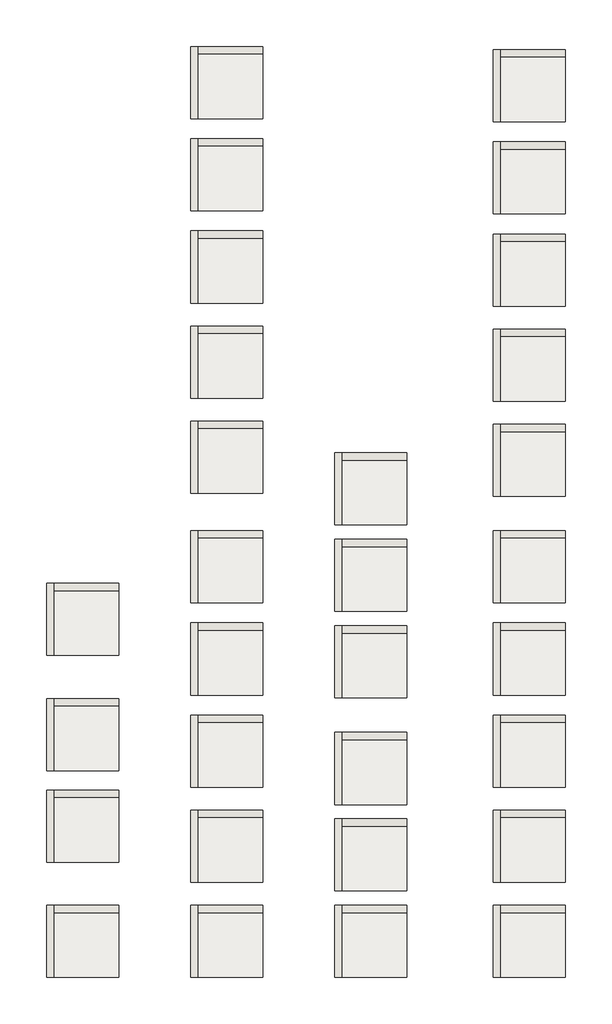
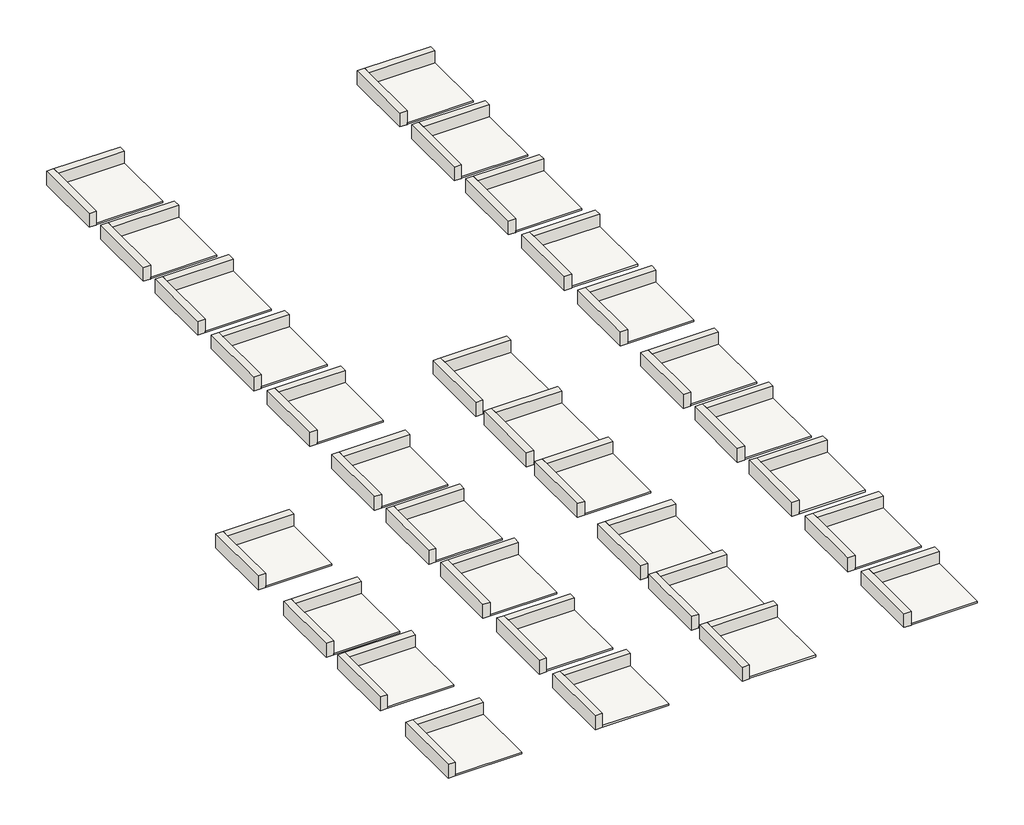
# One storey: 60 walls, 30 slabs.
"""IFC4 building model written with IfcOpenShell, lengths in millimetres."""

from ifc_helpers import new_model, si_unit, frame, origin, place, context, project, spatial, polyline, outline, extrude, faceted_brep, element, save

model = new_model("IFC4")

# Units and contexts
model_context = context("Model", 3, world=origin())
ifc_project = project(units=[si_unit("LENGTHUNIT", "METRE", prefix="MILLI")], contexts=[model_context])

# Site, building, storey
site = spatial("IfcSite", under=ifc_project)
building = spatial("IfcBuilding", under=site)
storey = spatial("IfcBuildingStorey", under=building, Elevation=0.0)

# Slabs
placement = place(None, origin())
element("IfcSlab", 1, at=placement, inside=storey, context=model_context, shape_type="SweptSolid", body=[
    extrude(outline(polyline([(3351.7773036, 9735.2847047), (3351.7773036, 7485.2847047), (1101.7773036, 7485.2847047), (1101.7773036, 9735.2847047), (3351.7773036, 9735.2847047)])), frame((0.0, 0.0, -58.0), z_axis=(0.0, 0.0, 1.0), x_axis=(1.0, 0.0, 0.0)), (0.0, 0.0, 1.0), 58.0),
])
element("IfcSlab", 2, at=placement, inside=storey, context=model_context, shape_type="SweptSolid", body=[
    extrude(outline(polyline([(13351.7773036, 9735.2847047), (13351.7773036, 7485.2847047), (11101.7773036, 7485.2847047), (11101.7773036, 9735.2847047), (13351.7773036, 9735.2847047)])), frame((0.0, 0.0, -60.0), z_axis=(0.0, 0.0, 1.0), x_axis=(1.0, 0.0, 0.0)), (0.0, 0.0, 1.0), 60.0),
])
element("IfcSlab", 3, at=placement, inside=storey, context=model_context, shape_type="SweptSolid", body=[
    extrude(outline(polyline([(18851.7773036, 9735.2847047), (18851.7773036, 7485.2847047), (16601.7773036, 7485.2847047), (16601.7773036, 9735.2847047), (18851.7773036, 9735.2847047)])), frame((0.0, 0.0, -55.0), z_axis=(0.0, 0.0, 1.0), x_axis=(1.0, 0.0, 0.0)), (0.0, 0.0, 1.0), 55.0),
])
element("IfcSlab", 4, at=placement, inside=storey, context=model_context, shape_type="SweptSolid", body=[
    extrude(outline(polyline([(3351.7773036, 13735.2847047), (3351.7773036, 11485.2847047), (1101.7773036, 11485.2847047), (1101.7773036, 13735.2847047), (3351.7773036, 13735.2847047)])), frame((0.0, 0.0, -58.0), z_axis=(0.0, 0.0, 1.0), x_axis=(1.0, 0.0, 0.0)), (0.0, 0.0, 1.0), 58.0),
])
element("IfcSlab", 5, at=placement, inside=storey, context=model_context, shape_type="SweptSolid", body=[
    extrude(outline(polyline([(13351.7773036, 12735.2847047), (13351.7773036, 10485.2847047), (11101.7773036, 10485.2847047), (11101.7773036, 12735.2847047), (13351.7773036, 12735.2847047)])), frame((0.0, 0.0, -60.0), z_axis=(0.0, 0.0, 1.0), x_axis=(1.0, 0.0, 0.0)), (0.0, 0.0, 1.0), 60.0),
])
element("IfcSlab", 6, at=placement, inside=storey, context=model_context, shape_type="SweptSolid", body=[
    extrude(outline(polyline([(13351.7773036, 15735.2847047), (13351.7773036, 13485.2847047), (11101.7773036, 13485.2847047), (11101.7773036, 15735.2847047), (13351.7773036, 15735.2847047)])), frame((0.0, 0.0, -60.0), z_axis=(0.0, 0.0, 1.0), x_axis=(1.0, 0.0, 0.0)), (0.0, 0.0, 1.0), 60.0),
])
element("IfcSlab", 7, at=placement, inside=storey, context=model_context, shape_type="SweptSolid", body=[
    extrude(outline(polyline([(18851.7773036, 13035.2847047), (18851.7773036, 10785.2847047), (16601.7773036, 10785.2847047), (16601.7773036, 13035.2847047), (18851.7773036, 13035.2847047)])), frame((0.0, 0.0, -55.0), z_axis=(0.0, 0.0, 1.0), x_axis=(1.0, 0.0, 0.0)), (0.0, 0.0, 1.0), 55.0),
])
element("IfcSlab", 8, at=placement, inside=storey, context=model_context, shape_type="SweptSolid", body=[
    extrude(outline(polyline([(18851.7773036, 16335.2847047), (18851.7773036, 14085.2847047), (16601.7773036, 14085.2847047), (16601.7773036, 16335.2847047), (18851.7773036, 16335.2847047)])), frame((0.0, 0.0, -60.0), z_axis=(0.0, 0.0, 1.0), x_axis=(1.0, 0.0, 0.0)), (0.0, 0.0, 1.0), 60.0),
])
element("IfcSlab", 9, at=placement, inside=storey, context=model_context, shape_type="SweptSolid", body=[
    extrude(outline(polyline([(18851.7773036, 19535.2847047), (18851.7773036, 17285.2847047), (16601.7773036, 17285.2847047), (16601.7773036, 19535.2847047), (18851.7773036, 19535.2847047)])), frame((0.0, 0.0, -55.0), z_axis=(0.0, 0.0, 1.0), x_axis=(1.0, 0.0, 0.0)), (0.0, 0.0, 1.0), 55.0),
])
element("IfcSlab", 10, at=placement, inside=storey, context=model_context, shape_type="SweptSolid", body=[
    extrude(outline(polyline([(18851.7773036, 22735.2847047), (18851.7773036, 20485.2847047), (16601.7773036, 20485.2847047), (16601.7773036, 22735.2847047), (18851.7773036, 22735.2847047)])), frame((0.0, 0.0, -55.0), z_axis=(0.0, 0.0, 1.0), x_axis=(1.0, 0.0, 0.0)), (0.0, 0.0, 1.0), 55.0),
])
element("IfcSlab", 11, at=placement, inside=storey, context=model_context, shape_type="SweptSolid", body=[
    extrude(outline(polyline([(8351.7773036, 9735.2847047), (8351.7773036, 7485.2847047), (6101.7773036, 7485.2847047), (6101.7773036, 9735.2847047), (8351.7773036, 9735.2847047)])), frame((0.0, 0.0, -55.0), z_axis=(0.0, 0.0, 1.0), x_axis=(1.0, 0.0, 0.0)), (0.0, 0.0, 1.0), 55.0),
])
element("IfcSlab", 12, at=placement, inside=storey, context=model_context, shape_type="SweptSolid", body=[
    extrude(outline(polyline([(8351.7773036, 13035.2847047), (8351.7773036, 10785.2847047), (6101.7773036, 10785.2847047), (6101.7773036, 13035.2847047), (8351.7773036, 13035.2847047)])), frame((0.0, 0.0, -55.0), z_axis=(0.0, 0.0, 1.0), x_axis=(1.0, 0.0, 0.0)), (0.0, 0.0, 1.0), 55.0),
])
element("IfcSlab", 13, at=placement, inside=storey, context=model_context, shape_type="SweptSolid", body=[
    extrude(outline(polyline([(8351.7773036, 16335.2847047), (8351.7773036, 14085.2847047), (6101.7773036, 14085.2847047), (6101.7773036, 16335.2847047), (8351.7773036, 16335.2847047)])), frame((0.0, 0.0, -55.0), z_axis=(0.0, 0.0, 1.0), x_axis=(1.0, 0.0, 0.0)), (0.0, 0.0, 1.0), 55.0),
])
element("IfcSlab", 14, at=placement, inside=storey, context=model_context, shape_type="SweptSolid", body=[
    extrude(outline(polyline([(8351.7773036, 19535.2847047), (8351.7773036, 17285.2847047), (6101.7773036, 17285.2847047), (6101.7773036, 19535.2847047), (8351.7773036, 19535.2847047)])), frame((0.0, 0.0, -55.0), z_axis=(0.0, 0.0, 1.0), x_axis=(1.0, 0.0, 0.0)), (0.0, 0.0, 1.0), 55.0),
])
element("IfcSlab", 15, at=placement, inside=storey, context=model_context, shape_type="SweptSolid", body=[
    extrude(outline(polyline([(8351.7773036, 22735.2847047), (8351.7773036, 20485.2847047), (6101.7773036, 20485.2847047), (6101.7773036, 22735.2847047), (8351.7773036, 22735.2847047)])), frame((0.0, 0.0, -55.0), z_axis=(0.0, 0.0, 1.0), x_axis=(1.0, 0.0, 0.0)), (0.0, 0.0, 1.0), 55.0),
])
element("IfcSlab", 16, at=placement, inside=storey, context=model_context, shape_type="SweptSolid", body=[
    extrude(outline(polyline([(3351.7773036, 16910.2847047), (3351.7773036, 14660.2847047), (1101.7773036, 14660.2847047), (1101.7773036, 16910.2847047), (3351.7773036, 16910.2847047)])), frame((0.0, 0.0, -58.0), z_axis=(0.0, 0.0, 1.0), x_axis=(1.0, 0.0, 0.0)), (0.0, 0.0, 1.0), 58.0),
])
element("IfcSlab", 17, at=placement, inside=storey, context=model_context, shape_type="SweptSolid", body=[
    extrude(outline(polyline([(3351.7773036, 20910.2847047), (3351.7773036, 18660.2847047), (1101.7773036, 18660.2847047), (1101.7773036, 20910.2847047), (3351.7773036, 20910.2847047)])), frame((0.0, 0.0, -58.0), z_axis=(0.0, 0.0, 1.0), x_axis=(1.0, 0.0, 0.0)), (0.0, 0.0, 1.0), 58.0),
])
element("IfcSlab", 18, at=placement, inside=storey, context=model_context, shape_type="SweptSolid", body=[
    extrude(outline(polyline([(8351.7773036, 26535.2847047), (8351.7773036, 24285.2847047), (6101.7773036, 24285.2847047), (6101.7773036, 26535.2847047), (8351.7773036, 26535.2847047)])), frame((0.0, 0.0, -55.0), z_axis=(0.0, 0.0, 1.0), x_axis=(1.0, 0.0, 0.0)), (0.0, 0.0, 1.0), 55.0),
])
element("IfcSlab", 19, at=placement, inside=storey, context=model_context, shape_type="SweptSolid", body=[
    extrude(outline(polyline([(8351.7773036, 29835.2847047), (8351.7773036, 27585.2847047), (6101.7773036, 27585.2847047), (6101.7773036, 29835.2847047), (8351.7773036, 29835.2847047)])), frame((0.0, 0.0, -55.0), z_axis=(0.0, 0.0, 1.0), x_axis=(1.0, 0.0, 0.0)), (0.0, 0.0, 1.0), 55.0),
])
element("IfcSlab", 20, at=placement, inside=storey, context=model_context, shape_type="SweptSolid", body=[
    extrude(outline(polyline([(8351.7773036, 33135.2847047), (8351.7773036, 30885.2847047), (6101.7773036, 30885.2847047), (6101.7773036, 33135.2847047), (8351.7773036, 33135.2847047)])), frame((0.0, 0.0, -55.0), z_axis=(0.0, 0.0, 1.0), x_axis=(1.0, 0.0, 0.0)), (0.0, 0.0, 1.0), 55.0),
])
element("IfcSlab", 21, at=placement, inside=storey, context=model_context, shape_type="SweptSolid", body=[
    extrude(outline(polyline([(8351.7773036, 36335.2847047), (8351.7773036, 34085.2847047), (6101.7773036, 34085.2847047), (6101.7773036, 36335.2847047), (8351.7773036, 36335.2847047)])), frame((0.0, 0.0, -55.0), z_axis=(0.0, 0.0, 1.0), x_axis=(1.0, 0.0, 0.0)), (0.0, 0.0, 1.0), 55.0),
])
element("IfcSlab", 22, at=placement, inside=storey, context=model_context, shape_type="SweptSolid", body=[
    extrude(outline(polyline([(8351.7773036, 39535.2847047), (8351.7773036, 37285.2847047), (6101.7773036, 37285.2847047), (6101.7773036, 39535.2847047), (8351.7773036, 39535.2847047)])), frame((0.0, 0.0, -55.0), z_axis=(0.0, 0.0, 1.0), x_axis=(1.0, 0.0, 0.0)), (0.0, 0.0, 1.0), 55.0),
])
element("IfcSlab", 23, at=placement, inside=storey, context=model_context, shape_type="SweptSolid", body=[
    extrude(outline(polyline([(13351.7773036, 19435.2847047), (13351.7773036, 17185.2847047), (11101.7773036, 17185.2847047), (11101.7773036, 19435.2847047), (13351.7773036, 19435.2847047)])), frame((0.0, 0.0, -60.0), z_axis=(0.0, 0.0, 1.0), x_axis=(1.0, 0.0, 0.0)), (0.0, 0.0, 1.0), 60.0),
])
element("IfcSlab", 24, at=placement, inside=storey, context=model_context, shape_type="SweptSolid", body=[
    extrude(outline(polyline([(13351.7773036, 22435.2847047), (13351.7773036, 20185.2847047), (11101.7773036, 20185.2847047), (11101.7773036, 22435.2847047), (13351.7773036, 22435.2847047)])), frame((0.0, 0.0, -60.0), z_axis=(0.0, 0.0, 1.0), x_axis=(1.0, 0.0, 0.0)), (0.0, 0.0, 1.0), 60.0),
])
element("IfcSlab", 25, at=placement, inside=storey, context=model_context, shape_type="SweptSolid", body=[
    extrude(outline(polyline([(13351.7773036, 25435.2847047), (13351.7773036, 23185.2847047), (11101.7773036, 23185.2847047), (11101.7773036, 25435.2847047), (13351.7773036, 25435.2847047)])), frame((0.0, 0.0, -60.0), z_axis=(0.0, 0.0, 1.0), x_axis=(1.0, 0.0, 0.0)), (0.0, 0.0, 1.0), 60.0),
])
element("IfcSlab", 26, at=placement, inside=storey, context=model_context, shape_type="SweptSolid", body=[
    extrude(outline(polyline([(18851.7773036, 26428.017222), (18851.7773036, 24178.017222), (16601.7773036, 24178.017222), (16601.7773036, 26428.017222), (18851.7773036, 26428.017222)])), frame((0.0, 0.0, -55.0), z_axis=(0.0, 0.0, 1.0), x_axis=(1.0, 0.0, 0.0)), (0.0, 0.0, 1.0), 55.0),
])
element("IfcSlab", 27, at=placement, inside=storey, context=model_context, shape_type="SweptSolid", body=[
    extrude(outline(polyline([(18851.7773036, 29728.017222), (18851.7773036, 27478.017222), (16601.7773036, 27478.017222), (16601.7773036, 29728.017222), (18851.7773036, 29728.017222)])), frame((0.0, 0.0, -55.0), z_axis=(0.0, 0.0, 1.0), x_axis=(1.0, 0.0, 0.0)), (0.0, 0.0, 1.0), 55.0),
])
element("IfcSlab", 28, at=placement, inside=storey, context=model_context, shape_type="SweptSolid", body=[
    extrude(outline(polyline([(18851.7773036, 33028.017222), (18851.7773036, 30778.017222), (16601.7773036, 30778.017222), (16601.7773036, 33028.017222), (18851.7773036, 33028.017222)])), frame((0.0, 0.0, -60.0), z_axis=(0.0, 0.0, 1.0), x_axis=(1.0, 0.0, 0.0)), (0.0, 0.0, 1.0), 60.0),
])
element("IfcSlab", 29, at=placement, inside=storey, context=model_context, shape_type="SweptSolid", body=[
    extrude(outline(polyline([(18851.7773036, 36228.017222), (18851.7773036, 33978.017222), (16601.7773036, 33978.017222), (16601.7773036, 36228.017222), (18851.7773036, 36228.017222)])), frame((0.0, 0.0, -55.0), z_axis=(0.0, 0.0, 1.0), x_axis=(1.0, 0.0, 0.0)), (0.0, 0.0, 1.0), 55.0),
])
element("IfcSlab", 30, at=placement, inside=storey, context=model_context, shape_type="SweptSolid", body=[
    extrude(outline(polyline([(18851.7773036, 39428.017222), (18851.7773036, 37178.017222), (16601.7773036, 37178.017222), (16601.7773036, 39428.017222), (18851.7773036, 39428.017222)])), frame((0.0, 0.0, -55.0), z_axis=(0.0, 0.0, 1.0), x_axis=(1.0, 0.0, 0.0)), (0.0, 0.0, 1.0), 55.0),
])

# Walls
element("IfcWall", 31, at=placement, inside=storey, context=model_context, shape_type="Brep", body=[
    faceted_brep([(851.7773036, 9985.2847047, -63.0), (851.7773036, 7485.2847047, -63.0), (851.7773036, 7485.2847047, 437.0), (851.7773036, 9985.2847047, 437.0), (1101.7773036, 9985.2847047, -63.0), (1101.7773036, 9985.2847047, 437.0), (1101.7773036, 9735.2847047, 437.0), (1101.7773036, 7485.2847047, 437.0), (1101.7773036, 7485.2847047, -63.0), (1101.7773036, 9735.2847047, -63.0)], [[[0, 1, 2, 3]], [[4, 5, 6, 7, 8, 9]], [[1, 0, 4, 9, 8]], [[2, 1, 8, 7]], [[3, 2, 7, 6, 5]], [[0, 3, 5, 4]]]),
])
element("IfcWall", 32, at=placement, inside=storey, context=model_context, shape_type="SweptSolid", body=[
    extrude(outline(polyline([(3351.7773036, 9735.2847047), (1101.7773036, 9735.2847047), (1101.7773036, 9985.2847047), (3351.7773036, 9985.2847047), (3351.7773036, 9735.2847047)])), frame((0.0, 0.0, -63.0), z_axis=(0.0, 0.0, 1.0), x_axis=(1.0, 0.0, 0.0)), (0.0, 0.0, 1.0), 500.0),
])
element("IfcWall", 33, at=placement, inside=storey, context=model_context, shape_type="Brep", body=[
    faceted_brep([(10851.7773036, 9985.2847047, -65.0), (10851.7773036, 7485.2847047, -65.0), (10851.7773036, 7485.2847047, 435.0), (10851.7773036, 9985.2847047, 435.0), (11101.7773036, 9985.2847047, -65.0), (11101.7773036, 9985.2847047, 435.0), (11101.7773036, 9735.2847047, 435.0), (11101.7773036, 7485.2847047, 435.0), (11101.7773036, 7485.2847047, -65.0), (11101.7773036, 9735.2847047, -65.0)], [[[0, 1, 2, 3]], [[4, 5, 6, 7, 8, 9]], [[1, 0, 4, 9, 8]], [[2, 1, 8, 7]], [[3, 2, 7, 6, 5]], [[0, 3, 5, 4]]]),
])
element("IfcWall", 34, at=placement, inside=storey, context=model_context, shape_type="SweptSolid", body=[
    extrude(outline(polyline([(13351.7773036, 9735.2847047), (11101.7773036, 9735.2847047), (11101.7773036, 9985.2847047), (13351.7773036, 9985.2847047), (13351.7773036, 9735.2847047)])), frame((0.0, 0.0, -65.0), z_axis=(0.0, 0.0, 1.0), x_axis=(1.0, 0.0, 0.0)), (0.0, 0.0, 1.0), 500.0),
])
element("IfcWall", 35, at=placement, inside=storey, context=model_context, shape_type="Brep", body=[
    faceted_brep([(16351.7773036, 9985.2847047, -65.0), (16351.7773036, 7485.2847047, -65.0), (16351.7773036, 7485.2847047, 435.0), (16351.7773036, 9985.2847047, 435.0), (16601.7773036, 9985.2847047, -65.0), (16601.7773036, 9985.2847047, 435.0), (16601.7773036, 9735.2847047, 435.0), (16601.7773036, 7485.2847047, 435.0), (16601.7773036, 7485.2847047, -65.0), (16601.7773036, 9735.2847047, -65.0)], [[[0, 1, 2, 3]], [[4, 5, 6, 7, 8, 9]], [[1, 0, 4, 9, 8]], [[2, 1, 8, 7]], [[3, 2, 7, 6, 5]], [[0, 3, 5, 4]]]),
])
element("IfcWall", 36, at=placement, inside=storey, context=model_context, shape_type="SweptSolid", body=[
    extrude(outline(polyline([(18851.7773036, 9735.2847047), (16601.7773036, 9735.2847047), (16601.7773036, 9985.2847047), (18851.7773036, 9985.2847047), (18851.7773036, 9735.2847047)])), frame((0.0, 0.0, -65.0), z_axis=(0.0, 0.0, 1.0), x_axis=(1.0, 0.0, 0.0)), (0.0, 0.0, 1.0), 500.0),
])
element("IfcWall", 37, at=placement, inside=storey, context=model_context, shape_type="Brep", body=[
    faceted_brep([(851.7773036, 13985.2847047, -63.0), (851.7773036, 11485.2847047, -63.0), (851.7773036, 11485.2847047, 437.0), (851.7773036, 13985.2847047, 437.0), (1101.7773036, 13985.2847047, -63.0), (1101.7773036, 13985.2847047, 437.0), (1101.7773036, 13735.2847047, 437.0), (1101.7773036, 11485.2847047, 437.0), (1101.7773036, 11485.2847047, -63.0), (1101.7773036, 13735.2847047, -63.0)], [[[0, 1, 2, 3]], [[4, 5, 6, 7, 8, 9]], [[1, 0, 4, 9, 8]], [[2, 1, 8, 7]], [[3, 2, 7, 6, 5]], [[0, 3, 5, 4]]]),
])
element("IfcWall", 38, at=placement, inside=storey, context=model_context, shape_type="SweptSolid", body=[
    extrude(outline(polyline([(3351.7773036, 13735.2847047), (1101.7773036, 13735.2847047), (1101.7773036, 13985.2847047), (3351.7773036, 13985.2847047), (3351.7773036, 13735.2847047)])), frame((0.0, 0.0, -63.0), z_axis=(0.0, 0.0, 1.0), x_axis=(1.0, 0.0, 0.0)), (0.0, 0.0, 1.0), 500.0),
])
element("IfcWall", 39, at=placement, inside=storey, context=model_context, shape_type="Brep", body=[
    faceted_brep([(10851.7773036, 12985.2847047, -65.0), (10851.7773036, 10485.2847047, -65.0), (10851.7773036, 10485.2847047, 435.0), (10851.7773036, 12985.2847047, 435.0), (11101.7773036, 12985.2847047, -65.0), (11101.7773036, 12985.2847047, 435.0), (11101.7773036, 12735.2847047, 435.0), (11101.7773036, 10485.2847047, 435.0), (11101.7773036, 10485.2847047, -65.0), (11101.7773036, 12735.2847047, -65.0)], [[[0, 1, 2, 3]], [[4, 5, 6, 7, 8, 9]], [[1, 0, 4, 9, 8]], [[2, 1, 8, 7]], [[3, 2, 7, 6, 5]], [[0, 3, 5, 4]]]),
])
element("IfcWall", 40, at=placement, inside=storey, context=model_context, shape_type="SweptSolid", body=[
    extrude(outline(polyline([(13351.7773036, 12735.2847047), (11101.7773036, 12735.2847047), (11101.7773036, 12985.2847047), (13351.7773036, 12985.2847047), (13351.7773036, 12735.2847047)])), frame((0.0, 0.0, -65.0), z_axis=(0.0, 0.0, 1.0), x_axis=(1.0, 0.0, 0.0)), (0.0, 0.0, 1.0), 500.0),
])
element("IfcWall", 41, at=placement, inside=storey, context=model_context, shape_type="Brep", body=[
    faceted_brep([(10851.7773036, 15985.2847047, -65.0), (10851.7773036, 13485.2847047, -65.0), (10851.7773036, 13485.2847047, 435.0), (10851.7773036, 15985.2847047, 435.0), (11101.7773036, 15985.2847047, -65.0), (11101.7773036, 15985.2847047, 435.0), (11101.7773036, 15735.2847047, 435.0), (11101.7773036, 13485.2847047, 435.0), (11101.7773036, 13485.2847047, -65.0), (11101.7773036, 15735.2847047, -65.0)], [[[0, 1, 2, 3]], [[4, 5, 6, 7, 8, 9]], [[1, 0, 4, 9, 8]], [[2, 1, 8, 7]], [[3, 2, 7, 6, 5]], [[0, 3, 5, 4]]]),
])
element("IfcWall", 42, at=placement, inside=storey, context=model_context, shape_type="SweptSolid", body=[
    extrude(outline(polyline([(13351.7773036, 15735.2847047), (11101.7773036, 15735.2847047), (11101.7773036, 15985.2847047), (13351.7773036, 15985.2847047), (13351.7773036, 15735.2847047)])), frame((0.0, 0.0, -65.0), z_axis=(0.0, 0.0, 1.0), x_axis=(1.0, 0.0, 0.0)), (0.0, 0.0, 1.0), 500.0),
])
element("IfcWall", 43, at=placement, inside=storey, context=model_context, shape_type="Brep", body=[
    faceted_brep([(16351.7773036, 13285.2847047, -65.0), (16351.7773036, 10785.2847047, -65.0), (16351.7773036, 10785.2847047, 435.0), (16351.7773036, 13285.2847047, 435.0), (16601.7773036, 13285.2847047, -65.0), (16601.7773036, 13285.2847047, 435.0), (16601.7773036, 13035.2847047, 435.0), (16601.7773036, 10785.2847047, 435.0), (16601.7773036, 10785.2847047, -65.0), (16601.7773036, 13035.2847047, -65.0)], [[[0, 1, 2, 3]], [[4, 5, 6, 7, 8, 9]], [[1, 0, 4, 9, 8]], [[2, 1, 8, 7]], [[3, 2, 7, 6, 5]], [[0, 3, 5, 4]]]),
])
element("IfcWall", 44, at=placement, inside=storey, context=model_context, shape_type="SweptSolid", body=[
    extrude(outline(polyline([(18851.7773036, 13035.2847047), (16601.7773036, 13035.2847047), (16601.7773036, 13285.2847047), (18851.7773036, 13285.2847047), (18851.7773036, 13035.2847047)])), frame((0.0, 0.0, -65.0), z_axis=(0.0, 0.0, 1.0), x_axis=(1.0, 0.0, 0.0)), (0.0, 0.0, 1.0), 500.0),
])
element("IfcWall", 45, at=placement, inside=storey, context=model_context, shape_type="Brep", body=[
    faceted_brep([(16351.7773036, 16585.2847047, -65.0), (16351.7773036, 14085.2847047, -65.0), (16351.7773036, 14085.2847047, 435.0), (16351.7773036, 16585.2847047, 435.0), (16601.7773036, 16585.2847047, -65.0), (16601.7773036, 16585.2847047, 435.0), (16601.7773036, 16335.2847047, 435.0), (16601.7773036, 14085.2847047, 435.0), (16601.7773036, 14085.2847047, -65.0), (16601.7773036, 16335.2847047, -65.0)], [[[0, 1, 2, 3]], [[4, 5, 6, 7, 8, 9]], [[1, 0, 4, 9, 8]], [[2, 1, 8, 7]], [[3, 2, 7, 6, 5]], [[0, 3, 5, 4]]]),
])
element("IfcWall", 46, at=placement, inside=storey, context=model_context, shape_type="SweptSolid", body=[
    extrude(outline(polyline([(18851.7773036, 16335.2847047), (16601.7773036, 16335.2847047), (16601.7773036, 16585.2847047), (18851.7773036, 16585.2847047), (18851.7773036, 16335.2847047)])), frame((0.0, 0.0, -65.0), z_axis=(0.0, 0.0, 1.0), x_axis=(1.0, 0.0, 0.0)), (0.0, 0.0, 1.0), 500.0),
])
element("IfcWall", 47, at=placement, inside=storey, context=model_context, shape_type="Brep", body=[
    faceted_brep([(16351.7773036, 19785.2847047, -65.0), (16351.7773036, 17285.2847047, -65.0), (16351.7773036, 17285.2847047, 435.0), (16351.7773036, 19785.2847047, 435.0), (16601.7773036, 19785.2847047, -65.0), (16601.7773036, 19785.2847047, 435.0), (16601.7773036, 19535.2847047, 435.0), (16601.7773036, 17285.2847047, 435.0), (16601.7773036, 17285.2847047, -65.0), (16601.7773036, 19535.2847047, -65.0)], [[[0, 1, 2, 3]], [[4, 5, 6, 7, 8, 9]], [[1, 0, 4, 9, 8]], [[2, 1, 8, 7]], [[3, 2, 7, 6, 5]], [[0, 3, 5, 4]]]),
])
element("IfcWall", 48, at=placement, inside=storey, context=model_context, shape_type="SweptSolid", body=[
    extrude(outline(polyline([(18851.7773036, 19535.2847047), (16601.7773036, 19535.2847047), (16601.7773036, 19785.2847047), (18851.7773036, 19785.2847047), (18851.7773036, 19535.2847047)])), frame((0.0, 0.0, -65.0), z_axis=(0.0, 0.0, 1.0), x_axis=(1.0, 0.0, 0.0)), (0.0, 0.0, 1.0), 500.0),
])
element("IfcWall", 49, at=placement, inside=storey, context=model_context, shape_type="Brep", body=[
    faceted_brep([(16351.7773036, 22985.2847047, -65.0), (16351.7773036, 20485.2847047, -65.0), (16351.7773036, 20485.2847047, 435.0), (16351.7773036, 22985.2847047, 435.0), (16601.7773036, 22985.2847047, -65.0), (16601.7773036, 22985.2847047, 435.0), (16601.7773036, 22735.2847047, 435.0), (16601.7773036, 20485.2847047, 435.0), (16601.7773036, 20485.2847047, -65.0), (16601.7773036, 22735.2847047, -65.0)], [[[0, 1, 2, 3]], [[4, 5, 6, 7, 8, 9]], [[1, 0, 4, 9, 8]], [[2, 1, 8, 7]], [[3, 2, 7, 6, 5]], [[0, 3, 5, 4]]]),
])
element("IfcWall", 50, at=placement, inside=storey, context=model_context, shape_type="SweptSolid", body=[
    extrude(outline(polyline([(18851.7773036, 22735.2847047), (16601.7773036, 22735.2847047), (16601.7773036, 22985.2847047), (18851.7773036, 22985.2847047), (18851.7773036, 22735.2847047)])), frame((0.0, 0.0, -65.0), z_axis=(0.0, 0.0, 1.0), x_axis=(1.0, 0.0, 0.0)), (0.0, 0.0, 1.0), 500.0),
])
element("IfcWall", 51, at=placement, inside=storey, context=model_context, shape_type="Brep", body=[
    faceted_brep([(5851.7773036, 9985.2847047, -65.0), (5851.7773036, 7485.2847047, -65.0), (5851.7773036, 7485.2847047, 435.0), (5851.7773036, 9985.2847047, 435.0), (6101.7773036, 9985.2847047, -65.0), (6101.7773036, 9985.2847047, 435.0), (6101.7773036, 9735.2847047, 435.0), (6101.7773036, 7485.2847047, 435.0), (6101.7773036, 7485.2847047, -65.0), (6101.7773036, 9735.2847047, -65.0)], [[[0, 1, 2, 3]], [[4, 5, 6, 7, 8, 9]], [[1, 0, 4, 9, 8]], [[2, 1, 8, 7]], [[3, 2, 7, 6, 5]], [[0, 3, 5, 4]]]),
])
element("IfcWall", 52, at=placement, inside=storey, context=model_context, shape_type="SweptSolid", body=[
    extrude(outline(polyline([(8351.7773036, 9735.2847047), (6101.7773036, 9735.2847047), (6101.7773036, 9985.2847047), (8351.7773036, 9985.2847047), (8351.7773036, 9735.2847047)])), frame((0.0, 0.0, -65.0), z_axis=(0.0, 0.0, 1.0), x_axis=(1.0, 0.0, 0.0)), (0.0, 0.0, 1.0), 500.0),
])
element("IfcWall", 53, at=placement, inside=storey, context=model_context, shape_type="Brep", body=[
    faceted_brep([(5851.7773036, 13285.2847047, -65.0), (5851.7773036, 10785.2847047, -65.0), (5851.7773036, 10785.2847047, 435.0), (5851.7773036, 13285.2847047, 435.0), (6101.7773036, 13285.2847047, -65.0), (6101.7773036, 13285.2847047, 435.0), (6101.7773036, 13035.2847047, 435.0), (6101.7773036, 10785.2847047, 435.0), (6101.7773036, 10785.2847047, -65.0), (6101.7773036, 13035.2847047, -65.0)], [[[0, 1, 2, 3]], [[4, 5, 6, 7, 8, 9]], [[1, 0, 4, 9, 8]], [[2, 1, 8, 7]], [[3, 2, 7, 6, 5]], [[0, 3, 5, 4]]]),
])
element("IfcWall", 54, at=placement, inside=storey, context=model_context, shape_type="SweptSolid", body=[
    extrude(outline(polyline([(8351.7773036, 13035.2847047), (6101.7773036, 13035.2847047), (6101.7773036, 13285.2847047), (8351.7773036, 13285.2847047), (8351.7773036, 13035.2847047)])), frame((0.0, 0.0, -65.0), z_axis=(0.0, 0.0, 1.0), x_axis=(1.0, 0.0, 0.0)), (0.0, 0.0, 1.0), 500.0),
])
element("IfcWall", 55, at=placement, inside=storey, context=model_context, shape_type="Brep", body=[
    faceted_brep([(5851.7773036, 16585.2847047, -65.0), (5851.7773036, 14085.2847047, -65.0), (5851.7773036, 14085.2847047, 435.0), (5851.7773036, 16585.2847047, 435.0), (6101.7773036, 16585.2847047, -65.0), (6101.7773036, 16585.2847047, 435.0), (6101.7773036, 16335.2847047, 435.0), (6101.7773036, 14085.2847047, 435.0), (6101.7773036, 14085.2847047, -65.0), (6101.7773036, 16335.2847047, -65.0)], [[[0, 1, 2, 3]], [[4, 5, 6, 7, 8, 9]], [[1, 0, 4, 9, 8]], [[2, 1, 8, 7]], [[3, 2, 7, 6, 5]], [[0, 3, 5, 4]]]),
])
element("IfcWall", 56, at=placement, inside=storey, context=model_context, shape_type="SweptSolid", body=[
    extrude(outline(polyline([(8351.7773036, 16335.2847047), (6101.7773036, 16335.2847047), (6101.7773036, 16585.2847047), (8351.7773036, 16585.2847047), (8351.7773036, 16335.2847047)])), frame((0.0, 0.0, -65.0), z_axis=(0.0, 0.0, 1.0), x_axis=(1.0, 0.0, 0.0)), (0.0, 0.0, 1.0), 500.0),
])
element("IfcWall", 57, at=placement, inside=storey, context=model_context, shape_type="Brep", body=[
    faceted_brep([(5851.7773036, 19785.2847047, -65.0), (5851.7773036, 17285.2847047, -65.0), (5851.7773036, 17285.2847047, 435.0), (5851.7773036, 19785.2847047, 435.0), (6101.7773036, 19785.2847047, -65.0), (6101.7773036, 19785.2847047, 435.0), (6101.7773036, 19535.2847047, 435.0), (6101.7773036, 17285.2847047, 435.0), (6101.7773036, 17285.2847047, -65.0), (6101.7773036, 19535.2847047, -65.0)], [[[0, 1, 2, 3]], [[4, 5, 6, 7, 8, 9]], [[1, 0, 4, 9, 8]], [[2, 1, 8, 7]], [[3, 2, 7, 6, 5]], [[0, 3, 5, 4]]]),
])
element("IfcWall", 58, at=placement, inside=storey, context=model_context, shape_type="SweptSolid", body=[
    extrude(outline(polyline([(8351.7773036, 19535.2847047), (6101.7773036, 19535.2847047), (6101.7773036, 19785.2847047), (8351.7773036, 19785.2847047), (8351.7773036, 19535.2847047)])), frame((0.0, 0.0, -65.0), z_axis=(0.0, 0.0, 1.0), x_axis=(1.0, 0.0, 0.0)), (0.0, 0.0, 1.0), 500.0),
])
element("IfcWall", 59, at=placement, inside=storey, context=model_context, shape_type="Brep", body=[
    faceted_brep([(5851.7773036, 22985.2847047, -65.0), (5851.7773036, 20485.2847047, -65.0), (5851.7773036, 20485.2847047, 435.0), (5851.7773036, 22985.2847047, 435.0), (6101.7773036, 22985.2847047, -65.0), (6101.7773036, 22985.2847047, 435.0), (6101.7773036, 22735.2847047, 435.0), (6101.7773036, 20485.2847047, 435.0), (6101.7773036, 20485.2847047, -65.0), (6101.7773036, 22735.2847047, -65.0)], [[[0, 1, 2, 3]], [[4, 5, 6, 7, 8, 9]], [[1, 0, 4, 9, 8]], [[2, 1, 8, 7]], [[3, 2, 7, 6, 5]], [[0, 3, 5, 4]]]),
])
element("IfcWall", 60, at=placement, inside=storey, context=model_context, shape_type="SweptSolid", body=[
    extrude(outline(polyline([(8351.7773036, 22735.2847047), (6101.7773036, 22735.2847047), (6101.7773036, 22985.2847047), (8351.7773036, 22985.2847047), (8351.7773036, 22735.2847047)])), frame((0.0, 0.0, -65.0), z_axis=(0.0, 0.0, 1.0), x_axis=(1.0, 0.0, 0.0)), (0.0, 0.0, 1.0), 500.0),
])
element("IfcWall", 61, at=placement, inside=storey, context=model_context, shape_type="Brep", body=[
    faceted_brep([(851.7773036, 17160.2847047, -63.0), (851.7773036, 14660.2847047, -63.0), (851.7773036, 14660.2847047, 437.0), (851.7773036, 17160.2847047, 437.0), (1101.7773036, 17160.2847047, -63.0), (1101.7773036, 17160.2847047, 437.0), (1101.7773036, 16910.2847047, 437.0), (1101.7773036, 14660.2847047, 437.0), (1101.7773036, 14660.2847047, -63.0), (1101.7773036, 16910.2847047, -63.0)], [[[0, 1, 2, 3]], [[4, 5, 6, 7, 8, 9]], [[1, 0, 4, 9, 8]], [[2, 1, 8, 7]], [[3, 2, 7, 6, 5]], [[0, 3, 5, 4]]]),
])
element("IfcWall", 62, at=placement, inside=storey, context=model_context, shape_type="SweptSolid", body=[
    extrude(outline(polyline([(3351.7773036, 16910.2847047), (1101.7773036, 16910.2847047), (1101.7773036, 17160.2847047), (3351.7773036, 17160.2847047), (3351.7773036, 16910.2847047)])), frame((0.0, 0.0, -63.0), z_axis=(0.0, 0.0, 1.0), x_axis=(1.0, 0.0, 0.0)), (0.0, 0.0, 1.0), 500.0),
])
element("IfcWall", 63, at=placement, inside=storey, context=model_context, shape_type="Brep", body=[
    faceted_brep([(851.7773036, 21160.2847047, -63.0), (851.7773036, 18660.2847047, -63.0), (851.7773036, 18660.2847047, 437.0), (851.7773036, 21160.2847047, 437.0), (1101.7773036, 21160.2847047, -63.0), (1101.7773036, 21160.2847047, 437.0), (1101.7773036, 20910.2847047, 437.0), (1101.7773036, 18660.2847047, 437.0), (1101.7773036, 18660.2847047, -63.0), (1101.7773036, 20910.2847047, -63.0)], [[[0, 1, 2, 3]], [[4, 5, 6, 7, 8, 9]], [[1, 0, 4, 9, 8]], [[2, 1, 8, 7]], [[3, 2, 7, 6, 5]], [[0, 3, 5, 4]]]),
])
element("IfcWall", 64, at=placement, inside=storey, context=model_context, shape_type="SweptSolid", body=[
    extrude(outline(polyline([(3351.7773036, 20910.2847047), (1101.7773036, 20910.2847047), (1101.7773036, 21160.2847047), (3351.7773036, 21160.2847047), (3351.7773036, 20910.2847047)])), frame((0.0, 0.0, -63.0), z_axis=(0.0, 0.0, 1.0), x_axis=(1.0, 0.0, 0.0)), (0.0, 0.0, 1.0), 500.0),
])
element("IfcWall", 65, at=placement, inside=storey, context=model_context, shape_type="Brep", body=[
    faceted_brep([(5851.7773036, 26785.2847047, -65.0), (5851.7773036, 24285.2847047, -65.0), (5851.7773036, 24285.2847047, 435.0), (5851.7773036, 26785.2847047, 435.0), (6101.7773036, 26785.2847047, -65.0), (6101.7773036, 26785.2847047, 435.0), (6101.7773036, 26535.2847047, 435.0), (6101.7773036, 24285.2847047, 435.0), (6101.7773036, 24285.2847047, -65.0), (6101.7773036, 26535.2847047, -65.0)], [[[0, 1, 2, 3]], [[4, 5, 6, 7, 8, 9]], [[1, 0, 4, 9, 8]], [[2, 1, 8, 7]], [[3, 2, 7, 6, 5]], [[0, 3, 5, 4]]]),
])
element("IfcWall", 66, at=placement, inside=storey, context=model_context, shape_type="SweptSolid", body=[
    extrude(outline(polyline([(8351.7773036, 26535.2847047), (6101.7773036, 26535.2847047), (6101.7773036, 26785.2847047), (8351.7773036, 26785.2847047), (8351.7773036, 26535.2847047)])), frame((0.0, 0.0, -65.0), z_axis=(0.0, 0.0, 1.0), x_axis=(1.0, 0.0, 0.0)), (0.0, 0.0, 1.0), 500.0),
])
element("IfcWall", 67, at=placement, inside=storey, context=model_context, shape_type="Brep", body=[
    faceted_brep([(5851.7773036, 30085.2847047, -65.0), (5851.7773036, 27585.2847047, -65.0), (5851.7773036, 27585.2847047, 435.0), (5851.7773036, 30085.2847047, 435.0), (6101.7773036, 30085.2847047, -65.0), (6101.7773036, 30085.2847047, 435.0), (6101.7773036, 29835.2847047, 435.0), (6101.7773036, 27585.2847047, 435.0), (6101.7773036, 27585.2847047, -65.0), (6101.7773036, 29835.2847047, -65.0)], [[[0, 1, 2, 3]], [[4, 5, 6, 7, 8, 9]], [[1, 0, 4, 9, 8]], [[2, 1, 8, 7]], [[3, 2, 7, 6, 5]], [[0, 3, 5, 4]]]),
])
element("IfcWall", 68, at=placement, inside=storey, context=model_context, shape_type="SweptSolid", body=[
    extrude(outline(polyline([(8351.7773036, 29835.2847047), (6101.7773036, 29835.2847047), (6101.7773036, 30085.2847047), (8351.7773036, 30085.2847047), (8351.7773036, 29835.2847047)])), frame((0.0, 0.0, -65.0), z_axis=(0.0, 0.0, 1.0), x_axis=(1.0, 0.0, 0.0)), (0.0, 0.0, 1.0), 500.0),
])
element("IfcWall", 69, at=placement, inside=storey, context=model_context, shape_type="Brep", body=[
    faceted_brep([(5851.7773036, 33385.2847047, -65.0), (5851.7773036, 30885.2847047, -65.0), (5851.7773036, 30885.2847047, 435.0), (5851.7773036, 33385.2847047, 435.0), (6101.7773036, 33385.2847047, -65.0), (6101.7773036, 33385.2847047, 435.0), (6101.7773036, 33135.2847047, 435.0), (6101.7773036, 30885.2847047, 435.0), (6101.7773036, 30885.2847047, -65.0), (6101.7773036, 33135.2847047, -65.0)], [[[0, 1, 2, 3]], [[4, 5, 6, 7, 8, 9]], [[1, 0, 4, 9, 8]], [[2, 1, 8, 7]], [[3, 2, 7, 6, 5]], [[0, 3, 5, 4]]]),
])
element("IfcWall", 70, at=placement, inside=storey, context=model_context, shape_type="SweptSolid", body=[
    extrude(outline(polyline([(8351.7773036, 33135.2847047), (6101.7773036, 33135.2847047), (6101.7773036, 33385.2847047), (8351.7773036, 33385.2847047), (8351.7773036, 33135.2847047)])), frame((0.0, 0.0, -65.0), z_axis=(0.0, 0.0, 1.0), x_axis=(1.0, 0.0, 0.0)), (0.0, 0.0, 1.0), 500.0),
])
element("IfcWall", 71, at=placement, inside=storey, context=model_context, shape_type="Brep", body=[
    faceted_brep([(5851.7773036, 36585.2847047, -65.0), (5851.7773036, 34085.2847047, -65.0), (5851.7773036, 34085.2847047, 435.0), (5851.7773036, 36585.2847047, 435.0), (6101.7773036, 36585.2847047, -65.0), (6101.7773036, 36585.2847047, 435.0), (6101.7773036, 36335.2847047, 435.0), (6101.7773036, 34085.2847047, 435.0), (6101.7773036, 34085.2847047, -65.0), (6101.7773036, 36335.2847047, -65.0)], [[[0, 1, 2, 3]], [[4, 5, 6, 7, 8, 9]], [[1, 0, 4, 9, 8]], [[2, 1, 8, 7]], [[3, 2, 7, 6, 5]], [[0, 3, 5, 4]]]),
])
element("IfcWall", 72, at=placement, inside=storey, context=model_context, shape_type="SweptSolid", body=[
    extrude(outline(polyline([(8351.7773036, 36335.2847047), (6101.7773036, 36335.2847047), (6101.7773036, 36585.2847047), (8351.7773036, 36585.2847047), (8351.7773036, 36335.2847047)])), frame((0.0, 0.0, -65.0), z_axis=(0.0, 0.0, 1.0), x_axis=(1.0, 0.0, 0.0)), (0.0, 0.0, 1.0), 500.0),
])
element("IfcWall", 73, at=placement, inside=storey, context=model_context, shape_type="Brep", body=[
    faceted_brep([(5851.7773036, 39785.2847047, -65.0), (5851.7773036, 37285.2847047, -65.0), (5851.7773036, 37285.2847047, 435.0), (5851.7773036, 39785.2847047, 435.0), (6101.7773036, 39785.2847047, -65.0), (6101.7773036, 39785.2847047, 435.0), (6101.7773036, 39535.2847047, 435.0), (6101.7773036, 37285.2847047, 435.0), (6101.7773036, 37285.2847047, -65.0), (6101.7773036, 39535.2847047, -65.0)], [[[0, 1, 2, 3]], [[4, 5, 6, 7, 8, 9]], [[1, 0, 4, 9, 8]], [[2, 1, 8, 7]], [[3, 2, 7, 6, 5]], [[0, 3, 5, 4]]]),
])
element("IfcWall", 74, at=placement, inside=storey, context=model_context, shape_type="SweptSolid", body=[
    extrude(outline(polyline([(8351.7773036, 39535.2847047), (6101.7773036, 39535.2847047), (6101.7773036, 39785.2847047), (8351.7773036, 39785.2847047), (8351.7773036, 39535.2847047)])), frame((0.0, 0.0, -65.0), z_axis=(0.0, 0.0, 1.0), x_axis=(1.0, 0.0, 0.0)), (0.0, 0.0, 1.0), 500.0),
])
element("IfcWall", 75, at=placement, inside=storey, context=model_context, shape_type="Brep", body=[
    faceted_brep([(10851.7773036, 19685.2847047, -65.0), (10851.7773036, 17185.2847047, -65.0), (10851.7773036, 17185.2847047, 435.0), (10851.7773036, 19685.2847047, 435.0), (11101.7773036, 19685.2847047, -65.0), (11101.7773036, 19685.2847047, 435.0), (11101.7773036, 19435.2847047, 435.0), (11101.7773036, 17185.2847047, 435.0), (11101.7773036, 17185.2847047, -65.0), (11101.7773036, 19435.2847047, -65.0)], [[[0, 1, 2, 3]], [[4, 5, 6, 7, 8, 9]], [[1, 0, 4, 9, 8]], [[2, 1, 8, 7]], [[3, 2, 7, 6, 5]], [[0, 3, 5, 4]]]),
])
element("IfcWall", 76, at=placement, inside=storey, context=model_context, shape_type="SweptSolid", body=[
    extrude(outline(polyline([(13351.7773036, 19435.2847047), (11101.7773036, 19435.2847047), (11101.7773036, 19685.2847047), (13351.7773036, 19685.2847047), (13351.7773036, 19435.2847047)])), frame((0.0, 0.0, -65.0), z_axis=(0.0, 0.0, 1.0), x_axis=(1.0, 0.0, 0.0)), (0.0, 0.0, 1.0), 500.0),
])
element("IfcWall", 77, at=placement, inside=storey, context=model_context, shape_type="Brep", body=[
    faceted_brep([(10851.7773036, 22685.2847047, -65.0), (10851.7773036, 20185.2847047, -65.0), (10851.7773036, 20185.2847047, 435.0), (10851.7773036, 22685.2847047, 435.0), (11101.7773036, 22685.2847047, -65.0), (11101.7773036, 22685.2847047, 435.0), (11101.7773036, 22435.2847047, 435.0), (11101.7773036, 20185.2847047, 435.0), (11101.7773036, 20185.2847047, -65.0), (11101.7773036, 22435.2847047, -65.0)], [[[0, 1, 2, 3]], [[4, 5, 6, 7, 8, 9]], [[1, 0, 4, 9, 8]], [[2, 1, 8, 7]], [[3, 2, 7, 6, 5]], [[0, 3, 5, 4]]]),
])
element("IfcWall", 78, at=placement, inside=storey, context=model_context, shape_type="SweptSolid", body=[
    extrude(outline(polyline([(13351.7773036, 22435.2847047), (11101.7773036, 22435.2847047), (11101.7773036, 22685.2847047), (13351.7773036, 22685.2847047), (13351.7773036, 22435.2847047)])), frame((0.0, 0.0, -65.0), z_axis=(0.0, 0.0, 1.0), x_axis=(1.0, 0.0, 0.0)), (0.0, 0.0, 1.0), 500.0),
])
element("IfcWall", 79, at=placement, inside=storey, context=model_context, shape_type="Brep", body=[
    faceted_brep([(10851.7773036, 25685.2847047, -65.0), (10851.7773036, 23185.2847047, -65.0), (10851.7773036, 23185.2847047, 435.0), (10851.7773036, 25685.2847047, 435.0), (11101.7773036, 25685.2847047, -65.0), (11101.7773036, 25685.2847047, 435.0), (11101.7773036, 25435.2847047, 435.0), (11101.7773036, 23185.2847047, 435.0), (11101.7773036, 23185.2847047, -65.0), (11101.7773036, 25435.2847047, -65.0)], [[[0, 1, 2, 3]], [[4, 5, 6, 7, 8, 9]], [[1, 0, 4, 9, 8]], [[2, 1, 8, 7]], [[3, 2, 7, 6, 5]], [[0, 3, 5, 4]]]),
])
element("IfcWall", 80, at=placement, inside=storey, context=model_context, shape_type="SweptSolid", body=[
    extrude(outline(polyline([(13351.7773036, 25435.2847047), (11101.7773036, 25435.2847047), (11101.7773036, 25685.2847047), (13351.7773036, 25685.2847047), (13351.7773036, 25435.2847047)])), frame((0.0, 0.0, -65.0), z_axis=(0.0, 0.0, 1.0), x_axis=(1.0, 0.0, 0.0)), (0.0, 0.0, 1.0), 500.0),
])
element("IfcWall", 81, at=placement, inside=storey, context=model_context, shape_type="Brep", body=[
    faceted_brep([(16351.7773036, 26678.017222, -65.0), (16351.7773036, 24178.017222, -65.0), (16351.7773036, 24178.017222, 435.0), (16351.7773036, 26678.017222, 435.0), (16601.7773036, 26678.017222, -65.0), (16601.7773036, 26678.017222, 435.0), (16601.7773036, 26428.017222, 435.0), (16601.7773036, 24178.017222, 435.0), (16601.7773036, 24178.017222, -65.0), (16601.7773036, 26428.017222, -65.0)], [[[0, 1, 2, 3]], [[4, 5, 6, 7, 8, 9]], [[1, 0, 4, 9, 8]], [[2, 1, 8, 7]], [[3, 2, 7, 6, 5]], [[0, 3, 5, 4]]]),
])
element("IfcWall", 82, at=placement, inside=storey, context=model_context, shape_type="SweptSolid", body=[
    extrude(outline(polyline([(18851.7773036, 26428.017222), (16601.7773036, 26428.017222), (16601.7773036, 26678.017222), (18851.7773036, 26678.017222), (18851.7773036, 26428.017222)])), frame((0.0, 0.0, -65.0), z_axis=(0.0, 0.0, 1.0), x_axis=(1.0, 0.0, 0.0)), (0.0, 0.0, 1.0), 500.0),
])
element("IfcWall", 83, at=placement, inside=storey, context=model_context, shape_type="Brep", body=[
    faceted_brep([(16351.7773036, 29978.017222, -65.0), (16351.7773036, 27478.017222, -65.0), (16351.7773036, 27478.017222, 435.0), (16351.7773036, 29978.017222, 435.0), (16601.7773036, 29978.017222, -65.0), (16601.7773036, 29978.017222, 435.0), (16601.7773036, 29728.017222, 435.0), (16601.7773036, 27478.017222, 435.0), (16601.7773036, 27478.017222, -65.0), (16601.7773036, 29728.017222, -65.0)], [[[0, 1, 2, 3]], [[4, 5, 6, 7, 8, 9]], [[1, 0, 4, 9, 8]], [[2, 1, 8, 7]], [[3, 2, 7, 6, 5]], [[0, 3, 5, 4]]]),
])
element("IfcWall", 84, at=placement, inside=storey, context=model_context, shape_type="SweptSolid", body=[
    extrude(outline(polyline([(18851.7773036, 29728.017222), (16601.7773036, 29728.017222), (16601.7773036, 29978.017222), (18851.7773036, 29978.017222), (18851.7773036, 29728.017222)])), frame((0.0, 0.0, -65.0), z_axis=(0.0, 0.0, 1.0), x_axis=(1.0, 0.0, 0.0)), (0.0, 0.0, 1.0), 500.0),
])
element("IfcWall", 85, at=placement, inside=storey, context=model_context, shape_type="Brep", body=[
    faceted_brep([(16351.7773036, 33278.017222, -65.0), (16351.7773036, 30778.017222, -65.0), (16351.7773036, 30778.017222, 435.0), (16351.7773036, 33278.017222, 435.0), (16601.7773036, 33278.017222, -65.0), (16601.7773036, 33278.017222, 435.0), (16601.7773036, 33028.017222, 435.0), (16601.7773036, 30778.017222, 435.0), (16601.7773036, 30778.017222, -65.0), (16601.7773036, 33028.017222, -65.0)], [[[0, 1, 2, 3]], [[4, 5, 6, 7, 8, 9]], [[1, 0, 4, 9, 8]], [[2, 1, 8, 7]], [[3, 2, 7, 6, 5]], [[0, 3, 5, 4]]]),
])
element("IfcWall", 86, at=placement, inside=storey, context=model_context, shape_type="SweptSolid", body=[
    extrude(outline(polyline([(18851.7773036, 33028.017222), (16601.7773036, 33028.017222), (16601.7773036, 33278.017222), (18851.7773036, 33278.017222), (18851.7773036, 33028.017222)])), frame((0.0, 0.0, -65.0), z_axis=(0.0, 0.0, 1.0), x_axis=(1.0, 0.0, 0.0)), (0.0, 0.0, 1.0), 500.0),
])
element("IfcWall", 87, at=placement, inside=storey, context=model_context, shape_type="Brep", body=[
    faceted_brep([(16351.7773036, 36478.017222, -65.0), (16351.7773036, 33978.017222, -65.0), (16351.7773036, 33978.017222, 435.0), (16351.7773036, 36478.017222, 435.0), (16601.7773036, 36478.017222, -65.0), (16601.7773036, 36478.017222, 435.0), (16601.7773036, 36228.017222, 435.0), (16601.7773036, 33978.017222, 435.0), (16601.7773036, 33978.017222, -65.0), (16601.7773036, 36228.017222, -65.0)], [[[0, 1, 2, 3]], [[4, 5, 6, 7, 8, 9]], [[1, 0, 4, 9, 8]], [[2, 1, 8, 7]], [[3, 2, 7, 6, 5]], [[0, 3, 5, 4]]]),
])
element("IfcWall", 88, at=placement, inside=storey, context=model_context, shape_type="SweptSolid", body=[
    extrude(outline(polyline([(18851.7773036, 36228.017222), (16601.7773036, 36228.017222), (16601.7773036, 36478.017222), (18851.7773036, 36478.017222), (18851.7773036, 36228.017222)])), frame((0.0, 0.0, -65.0), z_axis=(0.0, 0.0, 1.0), x_axis=(1.0, 0.0, 0.0)), (0.0, 0.0, 1.0), 500.0),
])
element("IfcWall", 89, at=placement, inside=storey, context=model_context, shape_type="Brep", body=[
    faceted_brep([(16351.7773036, 39678.017222, -65.0), (16351.7773036, 37178.017222, -65.0), (16351.7773036, 37178.017222, 435.0), (16351.7773036, 39678.017222, 435.0), (16601.7773036, 39678.017222, -65.0), (16601.7773036, 39678.017222, 435.0), (16601.7773036, 39428.017222, 435.0), (16601.7773036, 37178.017222, 435.0), (16601.7773036, 37178.017222, -65.0), (16601.7773036, 39428.017222, -65.0)], [[[0, 1, 2, 3]], [[4, 5, 6, 7, 8, 9]], [[1, 0, 4, 9, 8]], [[2, 1, 8, 7]], [[3, 2, 7, 6, 5]], [[0, 3, 5, 4]]]),
])
element("IfcWall", 90, at=placement, inside=storey, context=model_context, shape_type="SweptSolid", body=[
    extrude(outline(polyline([(18851.7773036, 39428.017222), (16601.7773036, 39428.017222), (16601.7773036, 39678.017222), (18851.7773036, 39678.017222), (18851.7773036, 39428.017222)])), frame((0.0, 0.0, -65.0), z_axis=(0.0, 0.0, 1.0), x_axis=(1.0, 0.0, 0.0)), (0.0, 0.0, 1.0), 500.0),
])

save(model, "model.ifc")
